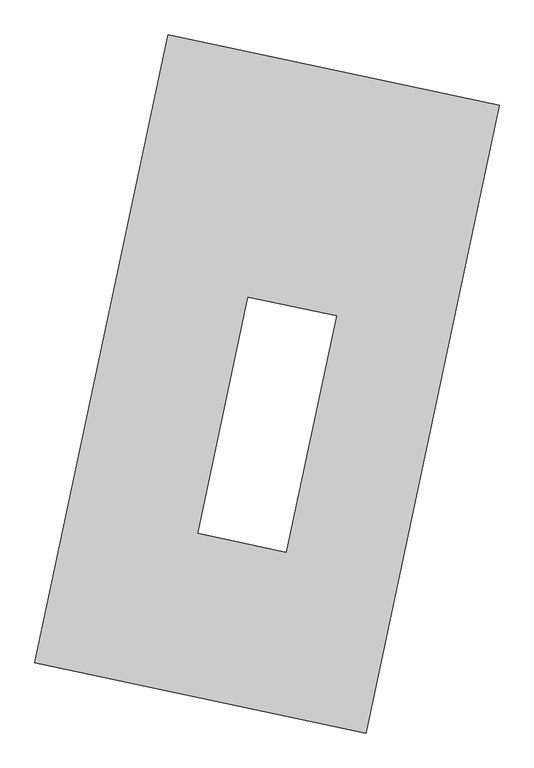
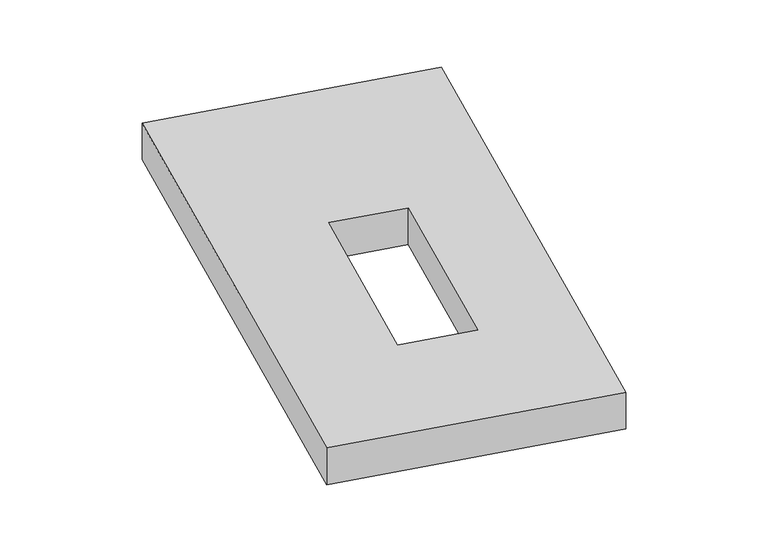
"""IFC4 building model written with IfcOpenShell, lengths in millimetres: proxy geometry."""

from ifc_helpers import new_model, si_unit, origin, origin_with_axes, place, context, project, spatial, polyline, outline, extrude, source, transform, mapped, element, save


def generic_models_f04872e3(model_context):
    return source(origin(), model_context, "Body", "SweptSolid", [
        extrude(outline(polyline([(-617.3692021, 2175.5580432), (1447.7508745, 1737.3010494), (617.3692021, -2175.5580432), (-1447.7508745, -1737.3010494), (-617.3692021, 2175.5580432)]), holes=[polyline([(431.9514631, 424.0543907), (-117.6600062, 540.6921944), (-429.9305469, -930.7644443), (119.6809224, -1047.4022481), (431.9514631, 424.0543907)])]), origin_with_axes(), (0.0, 0.0, 1.0), 300.0),
    ])


if __name__ == "__main__":
    model = new_model("IFC4")
    model_context = context("Model", 3, world=origin())
    ifc_project = project(units=[si_unit("LENGTHUNIT", "METRE", prefix="MILLI")], contexts=[model_context])
    site = spatial("IfcSite", under=ifc_project)
    building = spatial("IfcBuilding", under=site)
    placement = place(None, origin())
    generic_models_shape = generic_models_f04872e3(model_context)
    element("IfcBuildingElementProxy", 1, Name="Generic Models", at=placement, inside=building, context=model_context, shape_type="MappedRepresentation", body=[
        mapped(generic_models_shape, transform((0.0, 0.0, 0.0), x_axis=(1.0, 0.0, 0.0), y_axis=(0.0, 1.0, 0.0), z_axis=(0.0, 0.0, 1.0))),
    ])
    save(model, "model.ifc")
